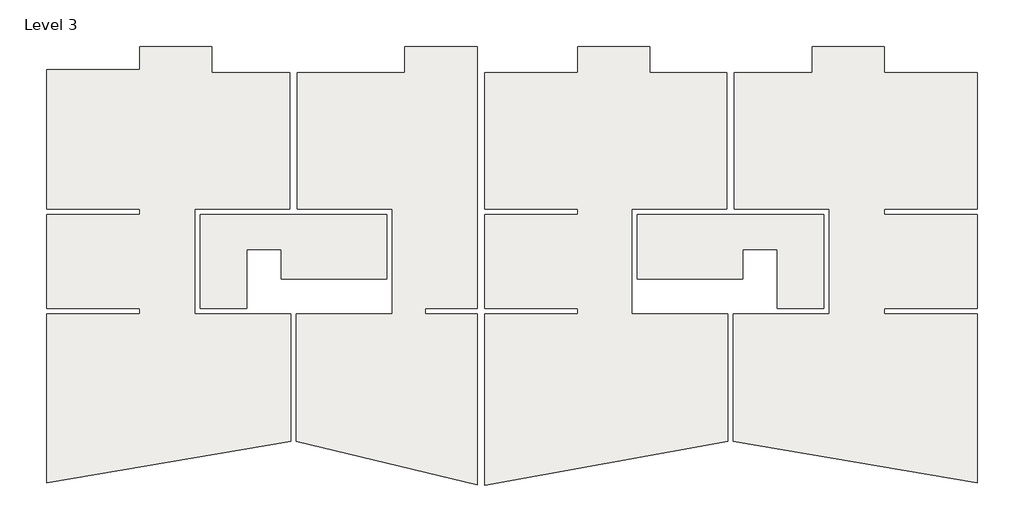
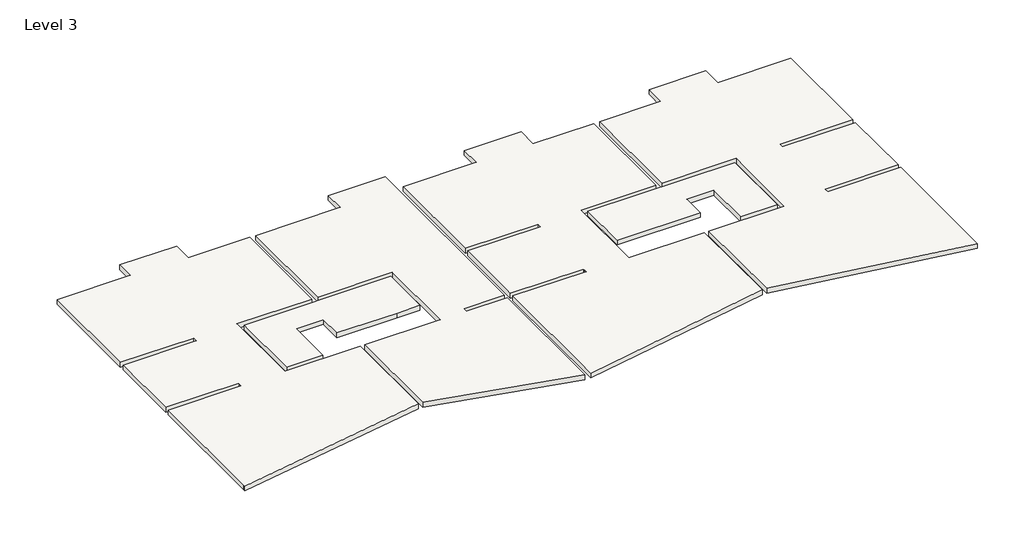
# One storey: 6 slabs.
"""IFC4 building model written with IfcOpenShell, lengths in millimetres."""

from ifc_helpers import new_model, si_unit, frame, origin, place, context, project, spatial, polyline, outline, extrude, element, save

model = new_model("IFC4")

# Units and contexts
model_context = context("Model", 3, world=origin())
ifc_project = project(units=[si_unit("LENGTHUNIT", "METRE", prefix="MILLI")], contexts=[model_context])

# Site, building, storey
site = spatial("IfcSite", under=ifc_project)
building = spatial("IfcBuilding", under=site)
storey = spatial("IfcBuildingStorey", under=building, Name="Level 3", Elevation=8880.0)

# Slabs
placement = place(None, origin())
element("IfcSlab", 1, ObjectType="Generic 220mm", at=placement, inside=storey, context=model_context, shape_type="SweptSolid", body=[
    extrude(outline(polyline([(-14802.8096791, 18747.190715), (-14802.8096791, 19547.190715), (-12302.8096791, 19547.190715), (-12302.8096791, 18647.190715), (-9602.8096791, 18647.190715), (-9602.8096791, 13917.190715), (-12897.8096791, 13917.190715), (-12897.8096791, 10267.190715), (-9572.8096791, 10267.190715), (-9572.8096791, 5861.5821317), (-18022.8096791, 4420.686178), (-18022.8096791, 4502.190715), (-18022.8096791, 10267.190715), (-14802.8096791, 10267.190715), (-14802.8096791, 10467.190715), (-18022.8096791, 10467.190715), (-18022.8096791, 13717.190715), (-14802.8096791, 13717.190715), (-14802.8096791, 13917.190715), (-18022.8096791, 13917.190715), (-18022.8096791, 18747.190715), (-14802.8096791, 18747.190715)])), frame((0.0, 0.0, 8660.0), z_axis=(0.0, 0.0, 1.0), x_axis=(1.0, 0.0, 0.0)), (0.0, 0.0, 1.0), 220.0),
])
element("IfcSlab", 2, ObjectType="Generic 220mm", at=placement, inside=storey, context=model_context, shape_type="SweptSolid", body=[
    extrude(outline(polyline([(-9372.8096791, 5856.0020525), (-9372.8096791, 10267.190715), (-6047.8096791, 10267.190715), (-6047.8096791, 13917.190715), (-9342.8096791, 13917.190715), (-9342.8096791, 18647.190715), (-5612.8096791, 18647.190715), (-5612.8096791, 19547.190715), (-3112.8096791, 19547.190715), (-3112.8096791, 10467.190715), (-4912.8096791, 10467.190715), (-4912.8096791, 10267.190715), (-3112.8096791, 10267.190715), (-3112.8096791, 4351.2871064), (-9372.8096791, 5856.0020525)])), frame((0.0, 0.0, 8660.0), z_axis=(0.0, 0.0, 1.0), x_axis=(1.0, 0.0, 0.0)), (0.0, 0.0, 1.0), 220.0),
])
element("IfcSlab", 3, ObjectType="Generic 220mm", at=placement, inside=storey, context=model_context, shape_type="SweptSolid", body=[
    extrude(outline(polyline([(-2852.8096791, 18647.190715), (367.1903209, 18647.190715), (367.1903209, 19547.190715), (2867.1903209, 19547.190715), (2867.1903209, 18647.190715), (5537.1903209, 18647.190715), (5537.1903209, 13917.190715), (2242.1903209, 13917.190715), (2242.1903209, 10267.190715), (5567.1903209, 10267.190715), (5567.1903209, 5860.2303444), (-2852.8096791, 4342.2397444), (-2852.8096791, 10267.190715), (367.1903209, 10267.190715), (367.1903209, 10367.190715), (367.1903209, 10467.190715), (-2852.8096791, 10467.190715), (-2852.8096791, 13717.190715), (367.1903209, 13717.190715), (367.1903209, 13917.190715), (-2852.8096791, 13917.190715), (-2852.8096791, 18647.190715)])), frame((0.0, 0.0, 8660.0), z_axis=(0.0, 0.0, 1.0), x_axis=(1.0, 0.0, 0.0)), (0.0, 0.0, 1.0), 220.0),
])
element("IfcSlab", 4, ObjectType="Generic 220mm", at=placement, inside=storey, context=model_context, shape_type="SweptSolid", body=[
    extrude(outline(polyline([(5797.1903209, 18647.190715), (8497.1903209, 18647.190715), (8497.1903209, 19547.190715), (10997.1903209, 19547.190715), (10997.1903209, 18647.190715), (14217.1903209, 18647.190715), (14217.1903209, 13917.190715), (10997.1903209, 13917.190715), (10997.1903209, 13717.190715), (14217.1903209, 13717.190715), (14217.1903209, 10467.190715), (10997.1903209, 10467.190715), (10997.1903209, 10267.190715), (14217.1903209, 10267.190715), (14217.1903209, 4419.8377429), (5767.1903209, 5861.0350662), (5767.1903209, 10267.190715), (9092.1903209, 10267.190715), (9092.1903209, 13917.190715), (5797.1903209, 13917.190715), (5797.1903209, 18647.190715)])), frame((0.0, 0.0, 8660.0), z_axis=(0.0, 0.0, 1.0), x_axis=(1.0, 0.0, 0.0)), (0.0, 0.0, 1.0), 220.0),
])
element("IfcSlab", 5, ObjectType="Generic 220mm", at=placement, inside=storey, context=model_context, shape_type="SweptSolid", body=[
    extrude(outline(polyline([(8892.1903209, 13717.190715), (8892.1903209, 10467.190715), (7292.1903209, 10467.190715), (7292.1903209, 12512.190715), (6092.1903209, 12512.190715), (6092.1903209, 11492.190715), (2442.1903209, 11492.190715), (2442.1903209, 13717.190715), (8892.1903209, 13717.190715)])), frame((0.0, 0.0, 8660.0), z_axis=(0.0, 0.0, 1.0), x_axis=(1.0, 0.0, 0.0)), (0.0, 0.0, 1.0), 220.0),
])
element("IfcSlab", 6, ObjectType="Generic 220mm", at=placement, inside=storey, context=model_context, shape_type="SweptSolid", body=[
    extrude(outline(polyline([(-6298.2096791, 13717.190715), (-6247.8096791, 13717.190715), (-6247.8096791, 11492.190715), (-7247.8096791, 11492.190715), (-9897.8096791, 11492.190715), (-9897.8096791, 12512.190715), (-11097.8096791, 12512.190715), (-11097.8096791, 10467.190715), (-12697.8096791, 10467.190715), (-12697.8096791, 13717.190715), (-6298.2096791, 13717.190715)])), frame((0.0, 0.0, 8660.0), z_axis=(0.0, 0.0, 1.0), x_axis=(1.0, 0.0, 0.0)), (0.0, 0.0, 1.0), 220.0),
])

save(model, "model.ifc")
